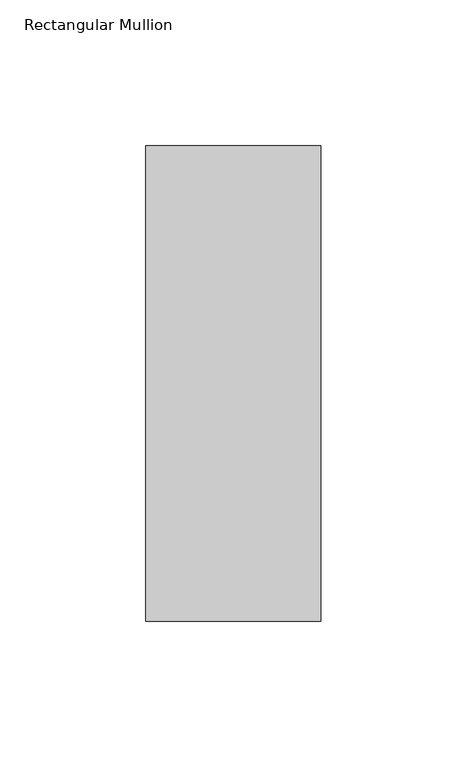
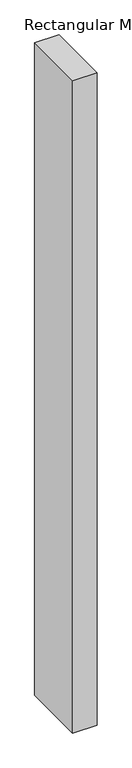
"""IFC4 building model written with IfcOpenShell, lengths in millimetres: member geometry, Rectangular Mullion."""

from ifc_helpers import new_model, si_unit, frame, origin, place, context, project, spatial, polyline, outline, extrude, source, transform, mapped, element, save


def rectangular_mullion_053ade89(model_context):
    return source(origin(), model_context, "Body", "SweptSolid", [
        extrude(outline(polyline([(30.0, 117.05), (30.0, -46.05), (-30.0, -46.05), (-30.0, 117.05), (30.0, 117.05)])), frame((0.0, 0.0, -1708.8912252), z_axis=(0.0, 0.0, 1.0), x_axis=(1.0, 0.0, 0.0)), (0.0, 0.0, 1.0), 1708.8912252),
    ])


if __name__ == "__main__":
    model = new_model("IFC4")
    model_context = context("Model", 3, world=origin())
    ifc_project = project(units=[si_unit("LENGTHUNIT", "METRE", prefix="MILLI")], contexts=[model_context])
    site = spatial("IfcSite", under=ifc_project)
    building = spatial("IfcBuilding", under=site)
    placement = place(None, origin())
    rectangular_mullion_shape = rectangular_mullion_053ade89(model_context)
    element("IfcMember", 1, ObjectType="Rectangular Mullion", at=placement, inside=building, context=model_context, shape_type="MappedRepresentation", body=[
        mapped(rectangular_mullion_shape, transform((0.0, 0.0, 0.0), x_axis=(1.0, 0.0, 0.0), y_axis=(0.0, 1.0, 0.0), z_axis=(0.0, 0.0, 1.0))),
    ])
    save(model, "model.ifc")
